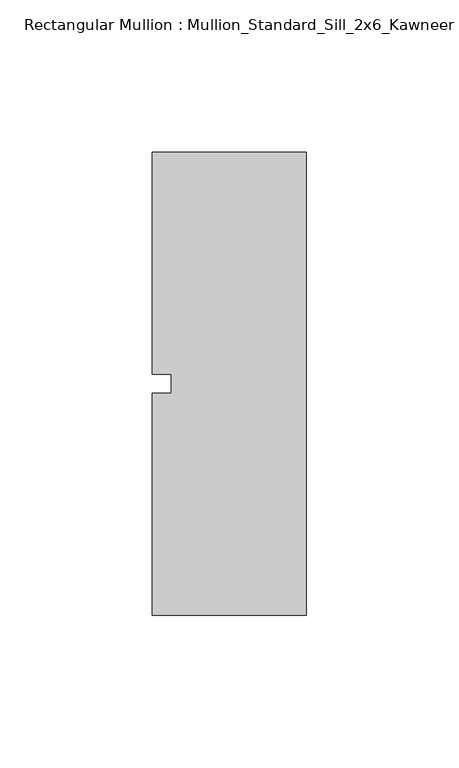
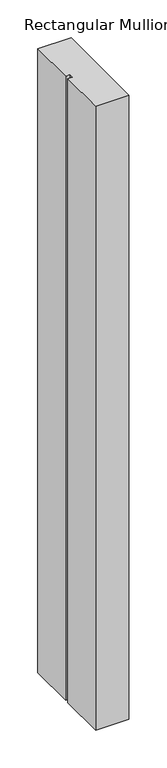
"""IFC4 building model written with IfcOpenShell, lengths in millimetres: member geometry, Rectangular Mullion : Mullion_Standard_Sill_2x6_Kawneer."""

from ifc_helpers import new_model, si_unit, frame, origin, place, context, project, spatial, polyline, outline, extrude, source, transform, mapped, element, save


def rectangular_mullion_mullion_standard_sill_2x6_kawneer_dd657d2e(model_context):
    return source(origin(), model_context, "Body", "SweptSolid", [
        extrude(outline(polyline([(-50.8, -76.2), (-50.8, -3.175), (-44.45, -3.175), (-44.45, 3.175), (-50.8, 3.175), (-50.8, 76.2), (0.0, 76.2), (0.0, -76.2), (-50.8, -76.2)])), frame((0.0, 0.0, -1005.84), z_axis=(0.0, 0.0, 1.0), x_axis=(1.0, 0.0, 0.0)), (0.0, 0.0, 1.0), 1005.84),
    ])


if __name__ == "__main__":
    model = new_model("IFC4")
    model_context = context("Model", 3, world=origin())
    ifc_project = project(units=[si_unit("LENGTHUNIT", "METRE", prefix="MILLI")], contexts=[model_context])
    site = spatial("IfcSite", under=ifc_project)
    building = spatial("IfcBuilding", under=site)
    placement = place(None, origin())
    rectangular_mullion_mullion_standard_sill_2x6_kawneer_shape = rectangular_mullion_mullion_standard_sill_2x6_kawneer_dd657d2e(model_context)
    element("IfcMember", 1, ObjectType="Rectangular Mullion : Mullion_Standard_Sill_2x6_Kawneer", at=placement, inside=building, context=model_context, shape_type="MappedRepresentation", body=[
        mapped(rectangular_mullion_mullion_standard_sill_2x6_kawneer_shape, transform((0.0, 0.0, 0.0), x_axis=(1.0, 0.0, 0.0), y_axis=(0.0, 1.0, 0.0), z_axis=(0.0, 0.0, 1.0))),
    ])
    save(model, "model.ifc")
